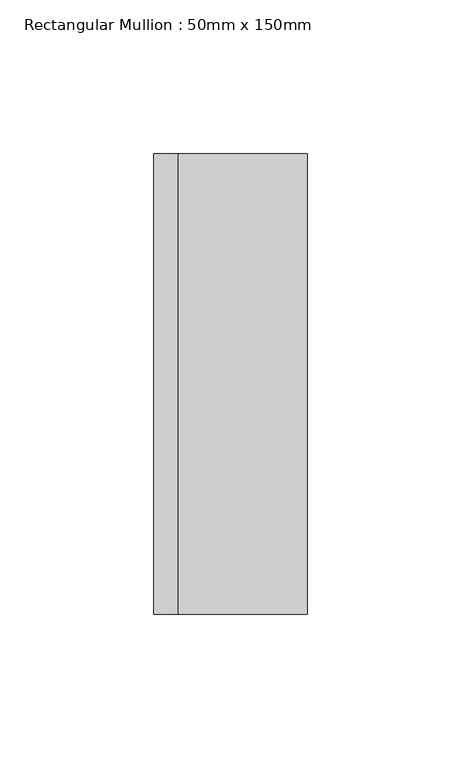
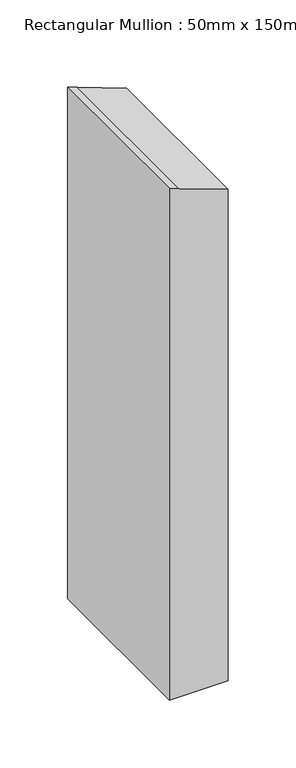
"""IFC4 building model written with IfcOpenShell, lengths in millimetres: member geometry, Rectangular Mullion : 50mm x 150mm."""

from ifc_helpers import new_model, si_unit, point, frame, frame_2d, origin, place, context, project, spatial, polyline, circle_curve, trimmed, segment, composite_curve, outline, extrude, source, transform, mapped, element, save


def rectangular_mullion_50mm_x_150mm_6723b8c3(model_context):
    return source(origin(), model_context, "Body", "SweptSolid", [
        extrude(outline(composite_curve([segment(trimmed(circle_curve(frame_2d((-6501.7259118, -2351.8533559)), 6864.0186607), [point((-62.3687779, 25.0))], [point((-47.0184373, -17.007838))], False, "CARTESIAN"), True, "CONTINUOUS"), segment(trimmed(circle_curve(frame_2d((-6501.7259118, -2351.8533559)), 6864.0186607), [point((-47.0184373, -17.007838))], [point((-44.133045, -25.0))], False, "CARTESIAN"), True, "CONTINUOUS"), segment(polyline([(-44.133045, -25.0), (-504.2891598, -25.0), (-504.2891598, 25.0), (-62.3687779, 25.0)]), True, "CONTINUOUS")], self_intersect=False)), frame((0.0, -75.0, 0.0), z_axis=(0.0, 1.0, 0.0), x_axis=(0.0, 0.0, 1.0)), (0.0, 0.0, 1.0), 150.0),
    ])


if __name__ == "__main__":
    model = new_model("IFC4")
    model_context = context("Model", 3, world=origin())
    ifc_project = project(units=[si_unit("LENGTHUNIT", "METRE", prefix="MILLI")], contexts=[model_context])
    site = spatial("IfcSite", under=ifc_project)
    building = spatial("IfcBuilding", under=site)
    placement = place(None, origin())
    rectangular_mullion_50mm_x_150mm_shape = rectangular_mullion_50mm_x_150mm_6723b8c3(model_context)
    element("IfcMember", 1, ObjectType="Rectangular Mullion : 50mm x 150mm", at=placement, inside=building, context=model_context, shape_type="MappedRepresentation", body=[
        mapped(rectangular_mullion_50mm_x_150mm_shape, transform((0.0, 0.0, 0.0), x_axis=(1.0, 0.0, 0.0), y_axis=(0.0, 1.0, 0.0), z_axis=(0.0, 0.0, 1.0))),
    ])
    save(model, "model.ifc")
